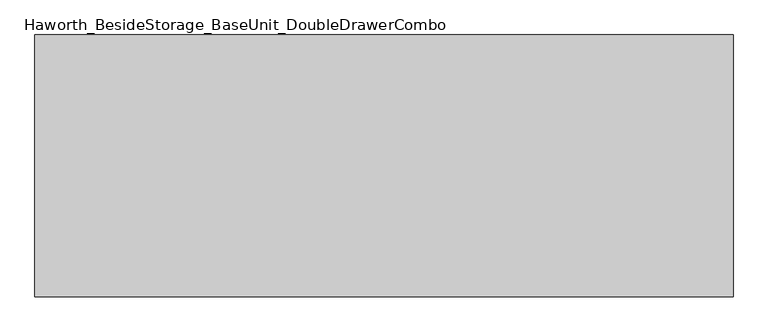
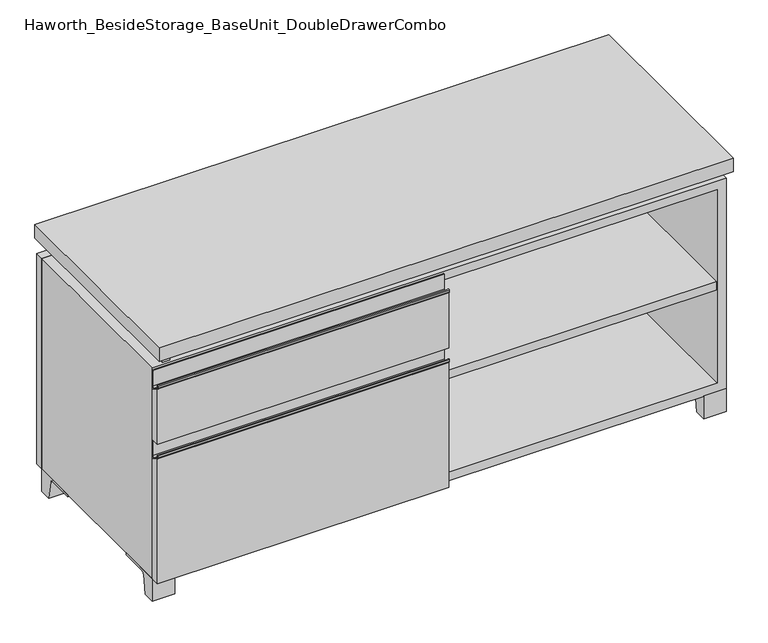
"""IFC4 building model written with IfcOpenShell, lengths in millimetres: furniture geometry, Haworth_BesideStorage_BaseUnit_DoubleDrawerCombo."""

from ifc_helpers import new_model, si_unit, point, frame, frame_2d, origin, place, context, project, spatial, polyline, circle_curve, trimmed, segment, composite_curve, outline, extrude, source, transform, mapped, element, save


def haworth_besidestorage_baseunit_doubledrawercombo_c56b1098(model_context):
    return source(origin(), model_context, "Body", "SweptSolid", [
        extrude(outline(polyline([(-9.5111094, 234.95), (-9.5111094, -136.525), (-590.5361094, -136.525), (-590.5361094, 234.95), (-9.5111094, 234.95)])), frame((0.0, 0.0, 354.0125), z_axis=(0.0, 0.0, 1.0), x_axis=(1.0, 0.0, 0.0)), (0.0, 0.0, 1.0), 19.05),
        extrude(outline(composite_curve([segment(polyline([(-139.7, 477.04375), (-158.75, 488.15625)]), True, "CONTINUOUS"), segment(trimmed(circle_curve(frame_2d((-157.5501571, 490.2131235)), 2.38125), [point((-158.75, 488.15625))], [point((-159.9314071, 490.2131235))], False, "CARTESIAN"), True, "CONTINUOUS"), segment(polyline([(-159.9314071, 490.2131235), (-159.9314071, 495.3)]), True, "CONTINUOUS"), segment(trimmed(circle_curve(frame_2d((-159.1376571, 495.3)), 0.79375), [point((-159.9314071, 495.3))], [point((-158.3439071, 495.3))], False, "CARTESIAN"), True, "CONTINUOUS"), segment(polyline([(-158.3439071, 495.3), (-158.3439071, 490.2131235)]), True, "CONTINUOUS"), segment(trimmed(circle_curve(frame_2d((-157.5501571, 490.2131235)), 0.79375), [point((-158.3439071, 490.2131235))], [point((-157.9501047, 489.527499))], True, "CARTESIAN"), True, "CONTINUOUS"), segment(polyline([(-157.9501047, 489.527499), (-146.0622905, 482.5929407)]), True, "CONTINUOUS"), segment(trimmed(circle_curve(frame_2d((-144.4625, 485.3354387)), 3.175), [point((-146.0622905, 482.5929407))], [point((-141.2875, 485.3354387))], True, "CARTESIAN"), True, "CONTINUOUS"), segment(polyline([(-141.2875, 485.3354387), (-141.2875, 519.1125)]), True, "CONTINUOUS"), segment(trimmed(circle_curve(frame_2d((-140.49375, 519.1125)), 0.79375), [point((-141.2875, 519.1125))], [point((-139.7, 519.1125))], False, "CARTESIAN"), True, "CONTINUOUS"), segment(polyline([(-139.7, 519.1125), (-139.7, 477.04375)]), True, "CONTINUOUS")], self_intersect=False)), frame((-609.5861094, 0.0, 0.0), z_axis=(1.0, 0.0, 0.0), x_axis=(0.0, 1.0, 0.0)), (0.0, 0.0, 1.0), 619.125),
        extrude(outline(polyline([(-139.7, 363.5375), (-158.75, 363.5375), (-158.75, 488.15625), (-139.7, 477.04375), (-139.7, 363.5375)])), frame((-609.5861094, 0.0, 0.0), z_axis=(1.0, 0.0, 0.0), x_axis=(0.0, 1.0, 0.0)), (0.0, 0.0, 1.0), 619.125),
        extrude(outline(composite_curve([segment(polyline([(-139.7, 320.675), (-158.75, 331.7875)]), True, "CONTINUOUS"), segment(trimmed(circle_curve(frame_2d((-157.5501571, 333.8443735)), 2.38125), [point((-158.75, 331.7875))], [point((-159.9314071, 333.8443735))], False, "CARTESIAN"), True, "CONTINUOUS"), segment(polyline([(-159.9314071, 333.8443735), (-159.9314071, 338.93125)]), True, "CONTINUOUS"), segment(trimmed(circle_curve(frame_2d((-159.1376571, 338.93125)), 0.79375), [point((-159.9314071, 338.93125))], [point((-158.3439071, 338.93125))], False, "CARTESIAN"), True, "CONTINUOUS"), segment(polyline([(-158.3439071, 338.93125), (-158.3439071, 333.8443735)]), True, "CONTINUOUS"), segment(trimmed(circle_curve(frame_2d((-157.5501571, 333.8443735)), 0.79375), [point((-158.3439071, 333.8443735))], [point((-157.9501047, 333.158749))], True, "CARTESIAN"), True, "CONTINUOUS"), segment(polyline([(-157.9501047, 333.158749), (-146.0622905, 326.2241907)]), True, "CONTINUOUS"), segment(trimmed(circle_curve(frame_2d((-144.4625, 328.9666887)), 3.175), [point((-146.0622905, 326.2241907))], [point((-141.2875, 328.9666887))], True, "CARTESIAN"), True, "CONTINUOUS"), segment(polyline([(-141.2875, 328.9666887), (-141.2875, 362.74375)]), True, "CONTINUOUS"), segment(trimmed(circle_curve(frame_2d((-140.49375, 362.74375)), 0.79375), [point((-141.2875, 362.74375))], [point((-139.7, 362.74375))], False, "CARTESIAN"), True, "CONTINUOUS"), segment(polyline([(-139.7, 362.74375), (-139.7, 320.675)]), True, "CONTINUOUS")], self_intersect=False)), frame((-609.5861094, 0.0, 0.0), z_axis=(1.0, 0.0, 0.0), x_axis=(0.0, 1.0, 0.0)), (0.0, 0.0, 1.0), 619.125),
        extrude(outline(polyline([(-139.7, 50.8), (-158.75, 50.8), (-158.75, 331.7875), (-139.7, 320.675), (-139.7, 50.8)])), frame((-609.5861094, 0.0, 0.0), z_axis=(1.0, 0.0, 0.0), x_axis=(0.0, 1.0, 0.0)), (0.0, 0.0, 1.0), 619.125),
        extrude(outline(polyline([(590.5569453, 234.95), (590.5569453, -136.525), (9.5319453, -136.525), (9.5319453, 234.95), (590.5569453, 234.95)])), frame((0.0, 0.0, 277.8125), z_axis=(0.0, 0.0, 1.0), x_axis=(1.0, 0.0, 0.0)), (0.0, 0.0, 1.0), 19.05),
        extrude(outline(polyline([(609.6138906, 292.1), (609.6138906, -165.1), (-609.5861094, -165.1), (-609.5861094, 292.1), (609.6138906, 292.1)])), frame((0.0, 0.0, 554.0375), z_axis=(0.0, 0.0, 1.0), x_axis=(1.0, 0.0, 0.0)), (0.0, 0.0, 1.0), 30.1625),
        extrude(outline(composite_curve([segment(polyline([(-114.3000136, 0.0), (-139.7, 0.0), (-139.7, 50.8), (-44.45, 50.8), (-44.45, 46.0213321), (-101.2505345, 46.0213321)]), True, "CONTINUOUS"), segment(trimmed(circle_curve(frame_2d((-101.2505345, 39.6713321)), 6.35), [point((-101.2505345, 46.0213321))], [point((-107.5141359, 40.7152656))], True, "CARTESIAN"), True, "CONTINUOUS"), segment(polyline([(-107.5141359, 40.7152656), (-114.3000136, 0.0)]), True, "CONTINUOUS")], self_intersect=False)), frame((561.9888906, 0.0, 0.0), z_axis=(1.0, 0.0, 0.0), x_axis=(0.0, 1.0, 0.0)), (0.0, 0.0, 1.0), 47.625),
        extrude(outline(composite_curve([segment(polyline([(241.3000136, 0.0), (234.5141359, 40.7152656)]), True, "CONTINUOUS"), segment(trimmed(circle_curve(frame_2d((228.2505345, 39.6713321)), 6.35), [point((234.5141359, 40.7152656))], [point((228.2505345, 46.0213321))], True, "CARTESIAN"), True, "CONTINUOUS"), segment(polyline([(228.2505345, 46.0213321), (171.45, 46.0213321), (171.45, 50.8), (266.7, 50.8), (266.7, 0.0), (241.3000136, 0.0)]), True, "CONTINUOUS")], self_intersect=False)), frame((561.9888906, 0.0, 0.0), z_axis=(1.0, 0.0, 0.0), x_axis=(0.0, 1.0, 0.0)), (0.0, 0.0, 1.0), 47.625),
        extrude(outline(composite_curve([segment(polyline([(-114.3000136, 0.0), (-139.7, 0.0), (-139.7, 50.8), (-44.45, 50.8), (-44.45, 46.0213321), (-101.2505345, 46.0213321)]), True, "CONTINUOUS"), segment(trimmed(circle_curve(frame_2d((-101.2505345, 39.6713321)), 6.35), [point((-101.2505345, 46.0213321))], [point((-107.5141359, 40.7152656))], True, "CARTESIAN"), True, "CONTINUOUS"), segment(polyline([(-107.5141359, 40.7152656), (-114.3000136, 0.0)]), True, "CONTINUOUS")], self_intersect=False)), frame((-609.5861094, 0.0, 0.0), z_axis=(1.0, 0.0, 0.0), x_axis=(0.0, 1.0, 0.0)), (0.0, 0.0, 1.0), 47.625),
        extrude(outline(composite_curve([segment(polyline([(241.3000136, 0.0), (234.5141359, 40.7152656)]), True, "CONTINUOUS"), segment(trimmed(circle_curve(frame_2d((228.2505345, 39.6713321)), 6.35), [point((234.5141359, 40.7152656))], [point((228.2505345, 46.0213321))], True, "CARTESIAN"), True, "CONTINUOUS"), segment(polyline([(228.2505345, 46.0213321), (171.45, 46.0213321), (171.45, 50.8), (266.7, 50.8), (266.7, 0.0), (241.3000136, 0.0)]), True, "CONTINUOUS")], self_intersect=False)), frame((-609.5861094, 0.0, 0.0), z_axis=(1.0, 0.0, 0.0), x_axis=(0.0, 1.0, 0.0)), (0.0, 0.0, 1.0), 47.625),
        extrude(outline(polyline([(-584.1791641, -133.35), (-584.1791641, 234.95), (-568.3041641, 234.95), (-568.3041641, 73.025), (-7.9236094, 73.025), (-7.9236094, 247.65), (7.9513906, 247.65), (7.9513906, 73.025), (568.3111094, 73.025), (568.3111094, 247.65), (584.1861094, 247.65), (584.1861094, -120.65), (568.3111094, -120.65), (568.3111094, 53.975), (7.9513906, 53.975), (7.9513906, -120.65), (-7.9236094, -120.65), (-7.9236094, 53.975), (-568.3041641, 53.975), (-568.3041641, -133.35), (-584.1791641, -133.35)])), frame((0.0, 0.0, 523.875), z_axis=(0.0, 0.0, 1.0), x_axis=(1.0, 0.0, 0.0)), (0.0, 0.0, 1.0), 30.1625),
        extrude(outline(polyline([(9.5388906, 234.95), (9.5388906, -139.7), (-9.5111094, -139.7), (-9.5111094, 234.95), (9.5388906, 234.95)])), frame((0.0, 0.0, 69.85), z_axis=(0.0, 0.0, 1.0), x_axis=(1.0, 0.0, 0.0)), (0.0, 0.0, 1.0), 434.975),
        extrude(outline(polyline([(609.6138906, 266.7), (-609.5861094, 266.7), (-609.5861094, 285.75), (609.6138906, 285.75), (609.6138906, 266.7)])), frame((0.0, 0.0, 50.8), z_axis=(0.0, 0.0, 1.0), x_axis=(1.0, 0.0, 0.0)), (0.0, 0.0, 1.0), 473.075),
        extrude(outline(polyline([(50.8, -609.5861094), (50.8, 609.6), (523.875, 609.6), (523.875, -609.5861094), (50.8, -609.5861094)]), holes=[polyline([(69.85, -590.5361094), (504.825, -590.5361094), (504.825, 590.5361094), (69.85, 590.5361094), (69.85, -590.5361094)])]), frame((0.0, -139.7, 0.0), z_axis=(0.0, 1.0, 0.0), x_axis=(0.0, 0.0, 1.0)), (0.0, 0.0, 1.0), 406.4),
        extrude(outline(polyline([(-590.5291641, 234.95), (-590.5291641, 241.3), (590.5569453, 241.3), (590.5569453, 234.95), (-590.5291641, 234.95)])), frame((0.0, 0.0, 69.85), z_axis=(0.0, 0.0, 1.0), x_axis=(1.0, 0.0, 0.0)), (0.0, 0.0, 1.0), 434.975),
    ])


if __name__ == "__main__":
    model = new_model("IFC4")
    model_context = context("Model", 3, world=origin())
    ifc_project = project(units=[si_unit("LENGTHUNIT", "METRE", prefix="MILLI")], contexts=[model_context])
    site = spatial("IfcSite", under=ifc_project)
    building = spatial("IfcBuilding", under=site)
    placement = place(None, origin())
    haworth_besidestorage_baseunit_doubledrawercombo_shape = haworth_besidestorage_baseunit_doubledrawercombo_c56b1098(model_context)
    element("IfcFurniture", 1, ObjectType="Haworth_BesideStorage_BaseUnit_DoubleDrawerCombo", at=placement, inside=building, context=model_context, shape_type="MappedRepresentation", body=[
        mapped(haworth_besidestorage_baseunit_doubledrawercombo_shape, transform((0.0, 0.0, 0.0), x_axis=(1.0, 0.0, 0.0), y_axis=(0.0, 1.0, 0.0), z_axis=(0.0, 0.0, 1.0))),
    ])
    save(model, "model.ifc")
